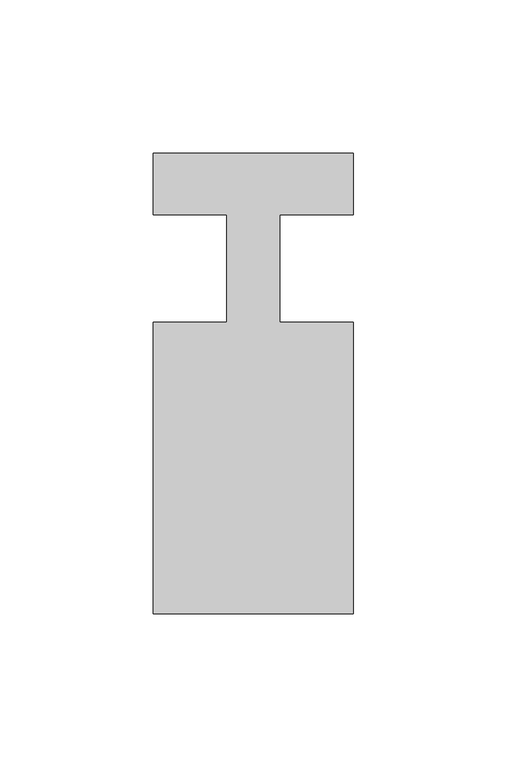
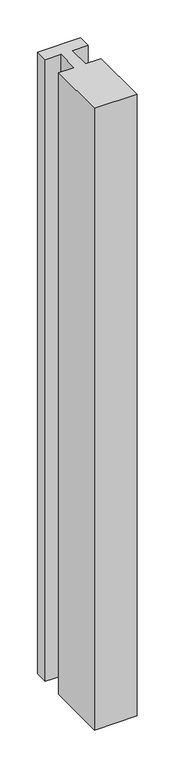
"""IFC4 building model written with IfcOpenShell, lengths in millimetres: member geometry."""

from ifc_helpers import new_model, si_unit, frame, origin, place, context, project, spatial, polyline, outline, extrude, source, transform, mapped, element, save


def member_c768a05b(model_context):
    return source(origin(), model_context, "Body", "SweptSolid", [
        extrude(outline(polyline([(-65.0, 37.0), (0.0, 37.0), (0.0, 17.0), (-23.8125, 17.0), (-23.8125, -18.0), (0.0, -18.0), (0.0, -113.0), (-65.0, -113.0), (-65.0, -18.0), (-41.1875, -18.0), (-41.1875, 17.0), (-65.0, 17.0), (-65.0, 37.0)])), frame((0.0, 0.0, -1001.5982143), z_axis=(0.0, 0.0, 1.0), x_axis=(1.0, 0.0, 0.0)), (0.0, 0.0, 1.0), 1001.5982143),
    ])


if __name__ == "__main__":
    model = new_model("IFC4")
    model_context = context("Model", 3, world=origin())
    ifc_project = project(units=[si_unit("LENGTHUNIT", "METRE", prefix="MILLI")], contexts=[model_context])
    site = spatial("IfcSite", under=ifc_project)
    building = spatial("IfcBuilding", under=site)
    placement = place(None, origin())
    member_shape = member_c768a05b(model_context)
    element("IfcMember", 1, at=placement, inside=building, context=model_context, shape_type="MappedRepresentation", body=[
        mapped(member_shape, transform((0.0, 0.0, 0.0), x_axis=(1.0, 0.0, 0.0), y_axis=(0.0, 1.0, 0.0), z_axis=(0.0, 0.0, 1.0))),
    ])
    save(model, "model.ifc")
